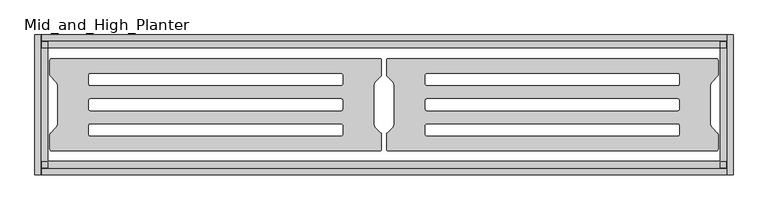
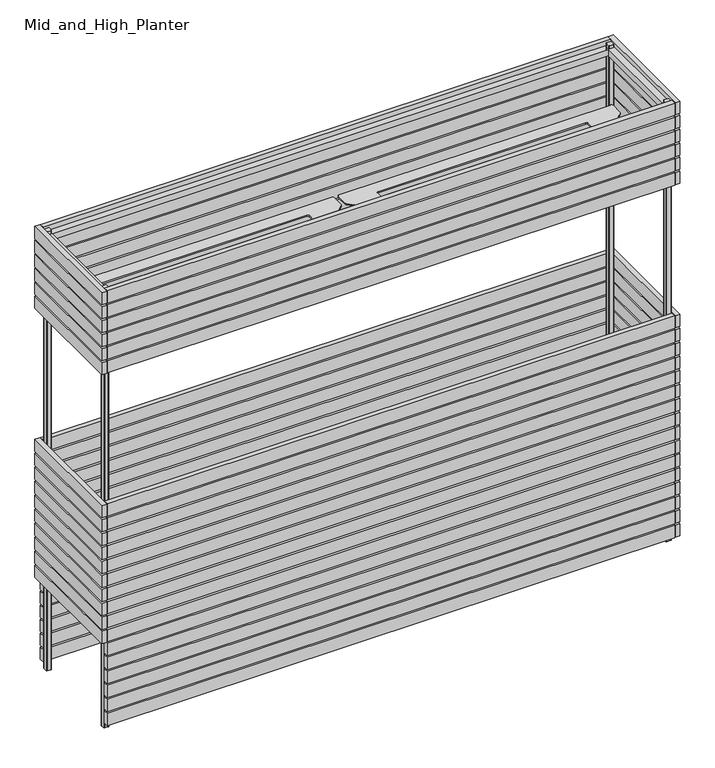
"""IFC4 building model written with IfcOpenShell, lengths in millimetres: furniture geometry, Mid_and_High_Planter."""

from ifc_helpers import new_model, si_unit, point, frame, frame_2d, origin, place, context, project, spatial, polyline, circle_curve, trimmed, segment, composite_curve, outline, extrude, source, transform, mapped, element, save


def mid_and_high_planter_cf874daf(model_context):
    return source(origin(), model_context, "Body", "SweptSolid", [
        extrude(outline(composite_curve([segment(trimmed(circle_curve(frame_2d((-869.032, 160.968)), 2.032), [point((-869.032, 163.0))], [point((-867.0, 160.968))], False, "CARTESIAN"), True, "CONTINUOUS"), segment(polyline([(-867.0, 160.968), (-867.0, 148.9491297)]), True, "CONTINUOUS"), segment(trimmed(circle_curve(frame_2d((-868.9491297, 148.9491297)), 1.9491297), [point((-867.0, 148.9491297))], [point((-868.9491297, 147.0))], False, "CARTESIAN"), True, "CONTINUOUS"), segment(polyline([(-868.9491297, 147.0), (-880.968, 147.0)]), True, "CONTINUOUS"), segment(trimmed(circle_curve(frame_2d((-880.968, 149.032)), 2.032), [point((-880.968, 147.0))], [point((-883.0, 149.032))], False, "CARTESIAN"), True, "CONTINUOUS"), segment(polyline([(-883.0, 149.032), (-883.0, 160.968)]), True, "CONTINUOUS"), segment(trimmed(circle_curve(frame_2d((-880.968, 160.968)), 2.032), [point((-883.0, 160.968))], [point((-880.968, 163.0))], False, "CARTESIAN"), True, "CONTINUOUS"), segment(polyline([(-880.968, 163.0), (-869.032, 163.0)]), True, "CONTINUOUS")], self_intersect=False)), frame((0.0, 0.0, 0.9787593), z_axis=(0.0, 0.0, 1.0), x_axis=(1.0, 0.0, 0.0)), (0.0, 0.0, 1.0), 1444.0212407),
        extrude(outline(composite_curve([segment(polyline([(869.032, 163.0), (880.968, 163.0)]), True, "CONTINUOUS"), segment(trimmed(circle_curve(frame_2d((880.968, 160.968)), 2.032), [point((880.968, 163.0))], [point((883.0, 160.968))], False, "CARTESIAN"), True, "CONTINUOUS"), segment(polyline([(883.0, 160.968), (883.0, 149.032)]), True, "CONTINUOUS"), segment(trimmed(circle_curve(frame_2d((880.968, 149.032)), 2.032), [point((883.0, 149.032))], [point((880.968, 147.0))], False, "CARTESIAN"), True, "CONTINUOUS"), segment(polyline([(880.968, 147.0), (868.9491297, 147.0)]), True, "CONTINUOUS"), segment(trimmed(circle_curve(frame_2d((868.9491297, 148.9491297)), 1.9491297), [point((868.9491297, 147.0))], [point((867.0, 148.9491297))], False, "CARTESIAN"), True, "CONTINUOUS"), segment(polyline([(867.0, 148.9491297), (867.0, 160.968)]), True, "CONTINUOUS"), segment(trimmed(circle_curve(frame_2d((869.032, 160.968)), 2.032), [point((867.0, 160.968))], [point((869.032, 163.0))], False, "CARTESIAN"), True, "CONTINUOUS")], self_intersect=False)), frame((0.0, 0.0, 0.9787593), z_axis=(0.0, 0.0, 1.0), x_axis=(1.0, 0.0, 0.0)), (0.0, 0.0, 1.0), 1444.0212407),
        extrude(outline(composite_curve([segment(polyline([(-869.032, -163.0), (-880.968, -163.0)]), True, "CONTINUOUS"), segment(trimmed(circle_curve(frame_2d((-880.968, -160.968)), 2.032), [point((-880.968, -163.0))], [point((-883.0, -160.968))], False, "CARTESIAN"), True, "CONTINUOUS"), segment(polyline([(-883.0, -160.968), (-883.0, -149.032)]), True, "CONTINUOUS"), segment(trimmed(circle_curve(frame_2d((-880.968, -149.032)), 2.032), [point((-883.0, -149.032))], [point((-880.968, -147.0))], False, "CARTESIAN"), True, "CONTINUOUS"), segment(polyline([(-880.968, -147.0), (-868.9491297, -147.0)]), True, "CONTINUOUS"), segment(trimmed(circle_curve(frame_2d((-868.9491297, -148.9491297)), 1.9491297), [point((-868.9491297, -147.0))], [point((-867.0, -148.9491297))], False, "CARTESIAN"), True, "CONTINUOUS"), segment(polyline([(-867.0, -148.9491297), (-867.0, -160.968)]), True, "CONTINUOUS"), segment(trimmed(circle_curve(frame_2d((-869.032, -160.968)), 2.032), [point((-867.0, -160.968))], [point((-869.032, -163.0))], False, "CARTESIAN"), True, "CONTINUOUS")], self_intersect=False)), frame((0.0, 0.0, 0.9787593), z_axis=(0.0, 0.0, 1.0), x_axis=(1.0, 0.0, 0.0)), (0.0, 0.0, 1.0), 1444.0212407),
        extrude(outline(composite_curve([segment(trimmed(circle_curve(frame_2d((869.032, -160.968)), 2.032), [point((869.032, -163.0))], [point((867.0, -160.968))], False, "CARTESIAN"), True, "CONTINUOUS"), segment(polyline([(867.0, -160.968), (867.0, -148.9491297)]), True, "CONTINUOUS"), segment(trimmed(circle_curve(frame_2d((868.9491297, -148.9491297)), 1.9491297), [point((867.0, -148.9491297))], [point((868.9491297, -147.0))], False, "CARTESIAN"), True, "CONTINUOUS"), segment(polyline([(868.9491297, -147.0), (880.968, -147.0)]), True, "CONTINUOUS"), segment(trimmed(circle_curve(frame_2d((880.968, -149.032)), 2.032), [point((880.968, -147.0))], [point((883.0, -149.032))], False, "CARTESIAN"), True, "CONTINUOUS"), segment(polyline([(883.0, -149.032), (883.0, -160.968)]), True, "CONTINUOUS"), segment(trimmed(circle_curve(frame_2d((880.968, -160.968)), 2.032), [point((883.0, -160.968))], [point((880.968, -163.0))], False, "CARTESIAN"), True, "CONTINUOUS"), segment(polyline([(880.968, -163.0), (869.032, -163.0)]), True, "CONTINUOUS")], self_intersect=False)), frame((0.0, 0.0, 0.9787593), z_axis=(0.0, 0.0, 1.0), x_axis=(1.0, 0.0, 0.0)), (0.0, 0.0, 1.0), 1444.0212407),
        extrude(outline(polyline([(885.0, -165.0), (-885.0, -165.0), (-885.0, 165.0), (885.0, 165.0), (885.0, -165.0)]), holes=[polyline([(865.0, 145.0), (-865.0, 145.0), (-865.0, -145.0), (865.0, -145.0), (865.0, 145.0)])]), frame((0.0, 0.0, 1414.7446206), z_axis=(0.0, 0.0, 1.0), x_axis=(1.0, 0.0, 0.0)), (0.0, 0.0, 1.0), 20.0),
        extrude(outline(composite_curve([segment(trimmed(circle_curve(frame_2d((-11.379763, 114.120237)), 4.879763), [point((-11.379763, 119.0))], [point((-6.5, 114.120237))], False, "CARTESIAN"), True, "CONTINUOUS"), segment(polyline([(-6.5, 114.120237), (-6.5, 77.6302561)]), True, "CONTINUOUS"), segment(trimmed(circle_curve(frame_2d((-12.85, 77.6302561)), 6.35), [point((-6.5, 77.6302561))], [point((-8.3598719, 73.1401281))], False, "CARTESIAN"), True, "CONTINUOUS"), segment(polyline([(-8.3598719, 73.1401281), (-20.9203842, 60.5796158)]), True, "CONTINUOUS"), segment(trimmed(circle_curve(frame_2d((-7.45, 47.1092316)), 19.05), [point((-20.9203842, 60.5796158))], [point((-26.5, 47.1092316))], True, "CARTESIAN"), True, "CONTINUOUS"), segment(polyline([(-26.5, 47.1092316), (-26.5, -47.1092316)]), True, "CONTINUOUS"), segment(trimmed(circle_curve(frame_2d((-7.45, -47.1092316)), 19.05), [point((-26.5, -47.1092316))], [point((-20.9203842, -60.5796158))], True, "CARTESIAN"), True, "CONTINUOUS"), segment(polyline([(-20.9203842, -60.5796158), (-8.3598719, -73.1401281)]), True, "CONTINUOUS"), segment(trimmed(circle_curve(frame_2d((-12.85, -77.6302561)), 6.35), [point((-8.3598719, -73.1401281))], [point((-6.5, -77.6302561))], False, "CARTESIAN"), True, "CONTINUOUS"), segment(polyline([(-6.5, -77.6302561), (-6.5, -114.120237)]), True, "CONTINUOUS"), segment(trimmed(circle_curve(frame_2d((-11.379763, -114.120237)), 4.879763), [point((-6.5, -114.120237))], [point((-11.379763, -119.0))], False, "CARTESIAN"), True, "CONTINUOUS"), segment(polyline([(-11.379763, -119.0), (-856.5, -119.0)]), True, "CONTINUOUS"), segment(trimmed(circle_curve(frame_2d((-856.5, -114.120237)), 4.879763), [point((-856.5, -119.0))], [point((-861.379763, -114.120237))], False, "CARTESIAN"), True, "CONTINUOUS"), segment(polyline([(-861.379763, -114.120237), (-861.379763, -77.6302561)]), True, "CONTINUOUS"), segment(trimmed(circle_curve(frame_2d((-855.029763, -77.6302561)), 6.35), [point((-861.379763, -77.6302561))], [point((-859.5198911, -73.1401281))], False, "CARTESIAN"), True, "CONTINUOUS"), segment(polyline([(-859.5198911, -73.1401281), (-846.9593788, -60.5796158)]), True, "CONTINUOUS"), segment(trimmed(circle_curve(frame_2d((-860.429763, -47.1092316)), 19.05), [point((-846.9593788, -60.5796158))], [point((-841.379763, -47.1092316))], True, "CARTESIAN"), True, "CONTINUOUS"), segment(polyline([(-841.379763, -47.1092316), (-841.379763, 47.1092316)]), True, "CONTINUOUS"), segment(trimmed(circle_curve(frame_2d((-860.429763, 47.1092316)), 19.05), [point((-841.379763, 47.1092316))], [point((-846.9593788, 60.5796158))], True, "CARTESIAN"), True, "CONTINUOUS"), segment(polyline([(-846.9593788, 60.5796158), (-859.5198911, 73.1401281)]), True, "CONTINUOUS"), segment(trimmed(circle_curve(frame_2d((-855.029763, 77.6302561)), 6.35), [point((-859.5198911, 73.1401281))], [point((-861.379763, 77.6302561))], False, "CARTESIAN"), True, "CONTINUOUS"), segment(polyline([(-861.379763, 77.6302561), (-861.379763, 114.120237)]), True, "CONTINUOUS"), segment(trimmed(circle_curve(frame_2d((-856.5, 114.120237)), 4.879763), [point((-861.379763, 114.120237))], [point((-856.5, 119.0))], False, "CARTESIAN"), True, "CONTINUOUS"), segment(polyline([(-856.5, 119.0), (-11.379763, 119.0)]), True, "CONTINUOUS")], self_intersect=False), holes=[composite_curve([segment(polyline([(-110.9316348, 80.0), (-756.9052758, 80.0)]), True, "CONTINUOUS"), segment(trimmed(circle_curve(frame_2d((-756.9052758, 75.7102758)), 4.2897242), [point((-756.9052758, 80.0))], [point((-761.195, 75.7102758))], True, "CARTESIAN"), True, "CONTINUOUS"), segment(polyline([(-761.195, 75.7102758), (-761.195, 54.072748)]), True, "CONTINUOUS"), segment(trimmed(circle_curve(frame_2d((-757.122252, 54.072748)), 4.072748), [point((-761.195, 54.072748))], [point((-757.122252, 50.0))], True, "CARTESIAN"), True, "CONTINUOUS"), segment(polyline([(-757.122252, 50.0), (-110.7992518, 50.0)]), True, "CONTINUOUS"), segment(trimmed(circle_curve(frame_2d((-110.7992518, 53.9942518)), 3.9942518), [point((-110.7992518, 50.0))], [point((-106.805, 53.9942518))], True, "CARTESIAN"), True, "CONTINUOUS"), segment(polyline([(-106.805, 53.9942518), (-106.805, 75.8733652)]), True, "CONTINUOUS"), segment(trimmed(circle_curve(frame_2d((-110.9316348, 75.8733652)), 4.1266348), [point((-106.805, 75.8733652))], [point((-110.9316348, 80.0))], True, "CARTESIAN"), True, "CONTINUOUS")], self_intersect=False), composite_curve([segment(polyline([(-110.9316348, 15.0), (-756.9052758, 15.0)]), True, "CONTINUOUS"), segment(trimmed(circle_curve(frame_2d((-756.9052758, 10.7102758)), 4.2897242), [point((-756.9052758, 15.0))], [point((-761.195, 10.7102758))], True, "CARTESIAN"), True, "CONTINUOUS"), segment(polyline([(-761.195, 10.7102758), (-761.195, -10.927252)]), True, "CONTINUOUS"), segment(trimmed(circle_curve(frame_2d((-757.122252, -10.927252)), 4.072748), [point((-761.195, -10.927252))], [point((-757.122252, -15.0))], True, "CARTESIAN"), True, "CONTINUOUS"), segment(polyline([(-757.122252, -15.0), (-110.7992518, -15.0)]), True, "CONTINUOUS"), segment(trimmed(circle_curve(frame_2d((-110.7992518, -11.0057482)), 3.9942518), [point((-110.7992518, -15.0))], [point((-106.805, -11.0057482))], True, "CARTESIAN"), True, "CONTINUOUS"), segment(polyline([(-106.805, -11.0057482), (-106.805, 10.8733652)]), True, "CONTINUOUS"), segment(trimmed(circle_curve(frame_2d((-110.9316348, 10.8733652)), 4.1266348), [point((-106.805, 10.8733652))], [point((-110.9316348, 15.0))], True, "CARTESIAN"), True, "CONTINUOUS")], self_intersect=False), composite_curve([segment(polyline([(-110.9316348, -50.0), (-756.9052758, -50.0)]), True, "CONTINUOUS"), segment(trimmed(circle_curve(frame_2d((-756.9052758, -54.2897242)), 4.2897242), [point((-756.9052758, -50.0))], [point((-761.195, -54.2897242))], True, "CARTESIAN"), True, "CONTINUOUS"), segment(polyline([(-761.195, -54.2897242), (-761.195, -75.927252)]), True, "CONTINUOUS"), segment(trimmed(circle_curve(frame_2d((-757.122252, -75.927252)), 4.072748), [point((-761.195, -75.927252))], [point((-757.122252, -80.0))], True, "CARTESIAN"), True, "CONTINUOUS"), segment(polyline([(-757.122252, -80.0), (-110.7992518, -80.0)]), True, "CONTINUOUS"), segment(trimmed(circle_curve(frame_2d((-110.7992518, -76.0057482)), 3.9942518), [point((-110.7992518, -80.0))], [point((-106.805, -76.0057482))], True, "CARTESIAN"), True, "CONTINUOUS"), segment(polyline([(-106.805, -76.0057482), (-106.805, -54.1266348)]), True, "CONTINUOUS"), segment(trimmed(circle_curve(frame_2d((-110.9316348, -54.1266348)), 4.1266348), [point((-106.805, -54.1266348))], [point((-110.9316348, -50.0))], True, "CARTESIAN"), True, "CONTINUOUS")], self_intersect=False)]), frame((0.0, 0.0, 1267.5436917), z_axis=(0.0, 0.0, 1.0), x_axis=(1.0, 0.0, 0.0)), (0.0, 0.0, 1.0), 3.9),
        extrude(outline(composite_curve([segment(polyline([(11.379763, 119.0), (856.5, 119.0)]), True, "CONTINUOUS"), segment(trimmed(circle_curve(frame_2d((856.5, 114.120237)), 4.879763), [point((856.5, 119.0))], [point((861.379763, 114.120237))], False, "CARTESIAN"), True, "CONTINUOUS"), segment(polyline([(861.379763, 114.120237), (861.379763, 77.6302561)]), True, "CONTINUOUS"), segment(trimmed(circle_curve(frame_2d((855.029763, 77.6302561)), 6.35), [point((861.379763, 77.6302561))], [point((859.5198911, 73.1401281))], False, "CARTESIAN"), True, "CONTINUOUS"), segment(polyline([(859.5198911, 73.1401281), (846.9593788, 60.5796158)]), True, "CONTINUOUS"), segment(trimmed(circle_curve(frame_2d((860.429763, 47.1092316)), 19.05), [point((846.9593788, 60.5796158))], [point((841.379763, 47.1092316))], True, "CARTESIAN"), True, "CONTINUOUS"), segment(polyline([(841.379763, 47.1092316), (841.379763, -47.1092316)]), True, "CONTINUOUS"), segment(trimmed(circle_curve(frame_2d((860.429763, -47.1092316)), 19.05), [point((841.379763, -47.1092316))], [point((846.9593788, -60.5796158))], True, "CARTESIAN"), True, "CONTINUOUS"), segment(polyline([(846.9593788, -60.5796158), (859.5198911, -73.1401281)]), True, "CONTINUOUS"), segment(trimmed(circle_curve(frame_2d((855.029763, -77.6302561)), 6.35), [point((859.5198911, -73.1401281))], [point((861.379763, -77.6302561))], False, "CARTESIAN"), True, "CONTINUOUS"), segment(polyline([(861.379763, -77.6302561), (861.379763, -114.120237)]), True, "CONTINUOUS"), segment(trimmed(circle_curve(frame_2d((856.5, -114.120237)), 4.879763), [point((861.379763, -114.120237))], [point((856.5, -119.0))], False, "CARTESIAN"), True, "CONTINUOUS"), segment(polyline([(856.5, -119.0), (11.379763, -119.0)]), True, "CONTINUOUS"), segment(trimmed(circle_curve(frame_2d((11.379763, -114.120237)), 4.879763), [point((11.379763, -119.0))], [point((6.5, -114.120237))], False, "CARTESIAN"), True, "CONTINUOUS"), segment(polyline([(6.5, -114.120237), (6.5, -77.6302561)]), True, "CONTINUOUS"), segment(trimmed(circle_curve(frame_2d((12.85, -77.6302561)), 6.35), [point((6.5, -77.6302561))], [point((8.3598719, -73.1401281))], False, "CARTESIAN"), True, "CONTINUOUS"), segment(polyline([(8.3598719, -73.1401281), (20.9203842, -60.5796158)]), True, "CONTINUOUS"), segment(trimmed(circle_curve(frame_2d((7.45, -47.1092316)), 19.05), [point((20.9203842, -60.5796158))], [point((26.5, -47.1092316))], True, "CARTESIAN"), True, "CONTINUOUS"), segment(polyline([(26.5, -47.1092316), (26.5, 47.1092316)]), True, "CONTINUOUS"), segment(trimmed(circle_curve(frame_2d((7.45, 47.1092316)), 19.05), [point((26.5, 47.1092316))], [point((20.9203842, 60.5796158))], True, "CARTESIAN"), True, "CONTINUOUS"), segment(polyline([(20.9203842, 60.5796158), (8.3598719, 73.1401281)]), True, "CONTINUOUS"), segment(trimmed(circle_curve(frame_2d((12.85, 77.6302561)), 6.35), [point((8.3598719, 73.1401281))], [point((6.5, 77.6302561))], False, "CARTESIAN"), True, "CONTINUOUS"), segment(polyline([(6.5, 77.6302561), (6.5, 114.120237)]), True, "CONTINUOUS"), segment(trimmed(circle_curve(frame_2d((11.379763, 114.120237)), 4.879763), [point((6.5, 114.120237))], [point((11.379763, 119.0))], False, "CARTESIAN"), True, "CONTINUOUS")], self_intersect=False), holes=[composite_curve([segment(trimmed(circle_curve(frame_2d((110.9316348, 75.8733652)), 4.1266348), [point((110.9316348, 80.0))], [point((106.805, 75.8733652))], True, "CARTESIAN"), True, "CONTINUOUS"), segment(polyline([(106.805, 75.8733652), (106.805, 53.9942518)]), True, "CONTINUOUS"), segment(trimmed(circle_curve(frame_2d((110.7992518, 53.9942518)), 3.9942518), [point((106.805, 53.9942518))], [point((110.7992518, 50.0))], True, "CARTESIAN"), True, "CONTINUOUS"), segment(polyline([(110.7992518, 50.0), (757.122252, 50.0)]), True, "CONTINUOUS"), segment(trimmed(circle_curve(frame_2d((757.122252, 54.072748)), 4.072748), [point((757.122252, 50.0))], [point((761.195, 54.072748))], True, "CARTESIAN"), True, "CONTINUOUS"), segment(polyline([(761.195, 54.072748), (761.195, 75.7102758)]), True, "CONTINUOUS"), segment(trimmed(circle_curve(frame_2d((756.9052758, 75.7102758)), 4.2897242), [point((761.195, 75.7102758))], [point((756.9052758, 80.0))], True, "CARTESIAN"), True, "CONTINUOUS"), segment(polyline([(756.9052758, 80.0), (110.9316348, 80.0)]), True, "CONTINUOUS")], self_intersect=False), composite_curve([segment(trimmed(circle_curve(frame_2d((110.9316348, 10.8733652)), 4.1266348), [point((110.9316348, 15.0))], [point((106.805, 10.8733652))], True, "CARTESIAN"), True, "CONTINUOUS"), segment(polyline([(106.805, 10.8733652), (106.805, -11.0057482)]), True, "CONTINUOUS"), segment(trimmed(circle_curve(frame_2d((110.7992518, -11.0057482)), 3.9942518), [point((106.805, -11.0057482))], [point((110.7992518, -15.0))], True, "CARTESIAN"), True, "CONTINUOUS"), segment(polyline([(110.7992518, -15.0), (757.122252, -15.0)]), True, "CONTINUOUS"), segment(trimmed(circle_curve(frame_2d((757.122252, -10.927252)), 4.072748), [point((757.122252, -15.0))], [point((761.195, -10.927252))], True, "CARTESIAN"), True, "CONTINUOUS"), segment(polyline([(761.195, -10.927252), (761.195, 10.7102758)]), True, "CONTINUOUS"), segment(trimmed(circle_curve(frame_2d((756.9052758, 10.7102758)), 4.2897242), [point((761.195, 10.7102758))], [point((756.9052758, 15.0))], True, "CARTESIAN"), True, "CONTINUOUS"), segment(polyline([(756.9052758, 15.0), (110.9316348, 15.0)]), True, "CONTINUOUS")], self_intersect=False), composite_curve([segment(trimmed(circle_curve(frame_2d((110.9316348, -54.1266348)), 4.1266348), [point((110.9316348, -50.0))], [point((106.805, -54.1266348))], True, "CARTESIAN"), True, "CONTINUOUS"), segment(polyline([(106.805, -54.1266348), (106.805, -76.0057482)]), True, "CONTINUOUS"), segment(trimmed(circle_curve(frame_2d((110.7992518, -76.0057482)), 3.9942518), [point((106.805, -76.0057482))], [point((110.7992518, -80.0))], True, "CARTESIAN"), True, "CONTINUOUS"), segment(polyline([(110.7992518, -80.0), (757.122252, -80.0)]), True, "CONTINUOUS"), segment(trimmed(circle_curve(frame_2d((757.122252, -75.927252)), 4.072748), [point((757.122252, -80.0))], [point((761.195, -75.927252))], True, "CARTESIAN"), True, "CONTINUOUS"), segment(polyline([(761.195, -75.927252), (761.195, -54.2897242)]), True, "CONTINUOUS"), segment(trimmed(circle_curve(frame_2d((756.9052758, -54.2897242)), 4.2897242), [point((761.195, -54.2897242))], [point((756.9052758, -50.0))], True, "CARTESIAN"), True, "CONTINUOUS"), segment(polyline([(756.9052758, -50.0), (110.9316348, -50.0)]), True, "CONTINUOUS")], self_intersect=False)]), frame((0.0, 0.0, 1267.5436917), z_axis=(0.0, 0.0, 1.0), x_axis=(1.0, 0.0, 0.0)), (0.0, 0.0, 1.0), 3.9),
        extrude(outline(polyline([(900.0, 180.0), (900.0, -180.0), (885.0, -180.0), (885.0, 180.0), (900.0, 180.0)])), frame((0.0, 0.0, 1225.9987302), z_axis=(0.0, 0.0, 1.0), x_axis=(1.0, 0.0, 0.0)), (0.0, 0.0, 1.0), 40.0),
        extrude(outline(polyline([(900.0, 180.0), (900.0, -180.0), (885.0, -180.0), (885.0, 180.0), (900.0, 180.0)])), frame((0.0, 0.0, 1179.9987302), z_axis=(0.0, 0.0, 1.0), x_axis=(1.0, 0.0, 0.0)), (0.0, 0.0, 1.0), 40.0),
        extrude(outline(polyline([(900.0, 180.0), (900.0, -180.0), (885.0, -180.0), (885.0, 180.0), (900.0, 180.0)])), frame((0.0, 0.0, 1409.9987302), z_axis=(0.0, 0.0, 1.0), x_axis=(1.0, 0.0, 0.0)), (0.0, 0.0, 1.0), 40.0),
        extrude(outline(polyline([(900.0, 180.0), (900.0, -180.0), (885.0, -180.0), (885.0, 180.0), (900.0, 180.0)])), frame((0.0, 0.0, 1363.9987302), z_axis=(0.0, 0.0, 1.0), x_axis=(1.0, 0.0, 0.0)), (0.0, 0.0, 1.0), 40.0),
        extrude(outline(polyline([(900.0, 180.0), (900.0, -180.0), (885.0, -180.0), (885.0, 180.0), (900.0, 180.0)])), frame((0.0, 0.0, 1317.9987302), z_axis=(0.0, 0.0, 1.0), x_axis=(1.0, 0.0, 0.0)), (0.0, 0.0, 1.0), 40.0),
        extrude(outline(polyline([(900.0, 180.0), (900.0, -180.0), (885.0, -180.0), (885.0, 180.0), (900.0, 180.0)])), frame((0.0, 0.0, 1271.9987302), z_axis=(0.0, 0.0, 1.0), x_axis=(1.0, 0.0, 0.0)), (0.0, 0.0, 1.0), 40.0),
        extrude(outline(polyline([(883.0217038, 180.0), (883.0217038, 165.0), (-882.9968376, 165.0), (-882.9968376, 180.0), (883.0217038, 180.0)])), frame((0.0, 0.0, 1409.9987302), z_axis=(0.0, 0.0, 1.0), x_axis=(1.0, 0.0, 0.0)), (0.0, 0.0, 1.0), 40.0),
        extrude(outline(polyline([(883.0217038, 180.0), (883.0217038, 165.0), (-882.9968376, 165.0), (-882.9968376, 180.0), (883.0217038, 180.0)])), frame((0.0, 0.0, 1363.9987302), z_axis=(0.0, 0.0, 1.0), x_axis=(1.0, 0.0, 0.0)), (0.0, 0.0, 1.0), 40.0),
        extrude(outline(polyline([(883.0217038, 180.0), (883.0217038, 165.0), (-882.9968376, 165.0), (-882.9968376, 180.0), (883.0217038, 180.0)])), frame((0.0, 0.0, 1317.9987302), z_axis=(0.0, 0.0, 1.0), x_axis=(1.0, 0.0, 0.0)), (0.0, 0.0, 1.0), 40.0),
        extrude(outline(polyline([(883.0217038, 180.0), (883.0217038, 165.0), (-882.9968376, 165.0), (-882.9968376, 180.0), (883.0217038, 180.0)])), frame((0.0, 0.0, 1271.9987302), z_axis=(0.0, 0.0, 1.0), x_axis=(1.0, 0.0, 0.0)), (0.0, 0.0, 1.0), 40.0),
        extrude(outline(polyline([(883.0217038, 180.0), (883.0217038, 165.0), (-882.9968376, 165.0), (-882.9968376, 180.0), (883.0217038, 180.0)])), frame((0.0, 0.0, 1225.9987302), z_axis=(0.0, 0.0, 1.0), x_axis=(1.0, 0.0, 0.0)), (0.0, 0.0, 1.0), 40.0),
        extrude(outline(polyline([(883.0217038, 180.0), (883.0217038, 165.0), (-882.9968376, 165.0), (-882.9968376, 180.0), (883.0217038, 180.0)])), frame((0.0, 0.0, 1179.9987302), z_axis=(0.0, 0.0, 1.0), x_axis=(1.0, 0.0, 0.0)), (0.0, 0.0, 1.0), 40.0),
        extrude(outline(polyline([(883.0217038, -165.0), (883.0217038, -180.0), (-882.9968376, -180.0), (-882.9968376, -165.0), (883.0217038, -165.0)])), frame((0.0, 0.0, 1409.9987302), z_axis=(0.0, 0.0, 1.0), x_axis=(1.0, 0.0, 0.0)), (0.0, 0.0, 1.0), 40.0),
        extrude(outline(polyline([(883.0217038, -165.0), (883.0217038, -180.0), (-882.9968376, -180.0), (-882.9968376, -165.0), (883.0217038, -165.0)])), frame((0.0, 0.0, 1363.9987302), z_axis=(0.0, 0.0, 1.0), x_axis=(1.0, 0.0, 0.0)), (0.0, 0.0, 1.0), 40.0),
        extrude(outline(polyline([(883.0217038, -165.0), (883.0217038, -180.0), (-882.9968376, -180.0), (-882.9968376, -165.0), (883.0217038, -165.0)])), frame((0.0, 0.0, 1317.9987302), z_axis=(0.0, 0.0, 1.0), x_axis=(1.0, 0.0, 0.0)), (0.0, 0.0, 1.0), 40.0),
        extrude(outline(polyline([(883.0217038, -165.0), (883.0217038, -180.0), (-882.9968376, -180.0), (-882.9968376, -165.0), (883.0217038, -165.0)])), frame((0.0, 0.0, 1271.9987302), z_axis=(0.0, 0.0, 1.0), x_axis=(1.0, 0.0, 0.0)), (0.0, 0.0, 1.0), 40.0),
        extrude(outline(polyline([(883.0217038, -165.0), (883.0217038, -180.0), (-882.9968376, -180.0), (-882.9968376, -165.0), (883.0217038, -165.0)])), frame((0.0, 0.0, 1225.9987302), z_axis=(0.0, 0.0, 1.0), x_axis=(1.0, 0.0, 0.0)), (0.0, 0.0, 1.0), 40.0),
        extrude(outline(polyline([(883.0217038, -165.0), (883.0217038, -180.0), (-882.9968376, -180.0), (-882.9968376, -165.0), (883.0217038, -165.0)])), frame((0.0, 0.0, 1179.9987302), z_axis=(0.0, 0.0, 1.0), x_axis=(1.0, 0.0, 0.0)), (0.0, 0.0, 1.0), 40.0),
        extrude(outline(polyline([(-900.0, -180.0), (-900.0, 180.0), (-885.0, 180.0), (-885.0, -180.0), (-900.0, -180.0)])), frame((0.0, 0.0, 1225.9987302), z_axis=(0.0, 0.0, 1.0), x_axis=(1.0, 0.0, 0.0)), (0.0, 0.0, 1.0), 40.0),
        extrude(outline(polyline([(-900.0, -180.0), (-900.0, 180.0), (-885.0, 180.0), (-885.0, -180.0), (-900.0, -180.0)])), frame((0.0, 0.0, 1179.9987302), z_axis=(0.0, 0.0, 1.0), x_axis=(1.0, 0.0, 0.0)), (0.0, 0.0, 1.0), 40.0),
        extrude(outline(polyline([(-900.0, -180.0), (-900.0, 180.0), (-885.0, 180.0), (-885.0, -180.0), (-900.0, -180.0)])), frame((0.0, 0.0, 1409.9987302), z_axis=(0.0, 0.0, 1.0), x_axis=(1.0, 0.0, 0.0)), (0.0, 0.0, 1.0), 40.0),
        extrude(outline(polyline([(-900.0, -180.0), (-900.0, 180.0), (-885.0, 180.0), (-885.0, -180.0), (-900.0, -180.0)])), frame((0.0, 0.0, 1363.9987302), z_axis=(0.0, 0.0, 1.0), x_axis=(1.0, 0.0, 0.0)), (0.0, 0.0, 1.0), 40.0),
        extrude(outline(polyline([(-900.0, -180.0), (-900.0, 180.0), (-885.0, 180.0), (-885.0, -180.0), (-900.0, -180.0)])), frame((0.0, 0.0, 1317.9987302), z_axis=(0.0, 0.0, 1.0), x_axis=(1.0, 0.0, 0.0)), (0.0, 0.0, 1.0), 40.0),
        extrude(outline(polyline([(-900.0, -180.0), (-900.0, 180.0), (-885.0, 180.0), (-885.0, -180.0), (-900.0, -180.0)])), frame((0.0, 0.0, 1271.9987302), z_axis=(0.0, 0.0, 1.0), x_axis=(1.0, 0.0, 0.0)), (0.0, 0.0, 1.0), 40.0),
        extrude(outline(polyline([(883.0718339, 180.0), (883.0718339, 165.0), (-883.0403066, 165.0), (-883.0403066, 180.0), (883.0718339, 180.0)])), frame((0.0, 0.0, 249.9987302), z_axis=(0.0, 0.0, 1.0), x_axis=(1.0, 0.0, 0.0)), (0.0, 0.0, 1.0), 40.0),
        extrude(outline(polyline([(883.0718339, 180.0), (883.0718339, 165.0), (-883.0403066, 165.0), (-883.0403066, 180.0), (883.0718339, 180.0)])), frame((0.0, 0.0, 203.9987302), z_axis=(0.0, 0.0, 1.0), x_axis=(1.0, 0.0, 0.0)), (0.0, 0.0, 1.0), 40.0),
        extrude(outline(polyline([(883.0718339, 180.0), (883.0718339, 165.0), (-883.0403066, 165.0), (-883.0403066, 180.0), (883.0718339, 180.0)])), frame((0.0, 0.0, 157.9987302), z_axis=(0.0, 0.0, 1.0), x_axis=(1.0, 0.0, 0.0)), (0.0, 0.0, 1.0), 40.0),
        extrude(outline(polyline([(883.0718339, 180.0), (883.0718339, 165.0), (-883.0403066, 165.0), (-883.0403066, 180.0), (883.0718339, 180.0)])), frame((0.0, 0.0, 111.9987302), z_axis=(0.0, 0.0, 1.0), x_axis=(1.0, 0.0, 0.0)), (0.0, 0.0, 1.0), 40.0),
        extrude(outline(polyline([(883.0718339, 180.0), (883.0718339, 165.0), (-883.0403066, 165.0), (-883.0403066, 180.0), (883.0718339, 180.0)])), frame((0.0, 0.0, 65.9987302), z_axis=(0.0, 0.0, 1.0), x_axis=(1.0, 0.0, 0.0)), (0.0, 0.0, 1.0), 40.0),
        extrude(outline(polyline([(883.0718339, 180.0), (883.0718339, 165.0), (-883.0403066, 165.0), (-883.0403066, 180.0), (883.0718339, 180.0)])), frame((0.0, 0.0, 19.9987302), z_axis=(0.0, 0.0, 1.0), x_axis=(1.0, 0.0, 0.0)), (0.0, 0.0, 1.0), 40.0),
        extrude(outline(polyline([(883.0718339, -165.0), (883.0718339, -180.0), (-883.0403066, -180.0), (-883.0403066, -165.0), (883.0718339, -165.0)])), frame((0.0, 0.0, 249.9987302), z_axis=(0.0, 0.0, 1.0), x_axis=(1.0, 0.0, 0.0)), (0.0, 0.0, 1.0), 40.0),
        extrude(outline(polyline([(883.0718339, -165.0), (883.0718339, -180.0), (-883.0403066, -180.0), (-883.0403066, -165.0), (883.0718339, -165.0)])), frame((0.0, 0.0, 203.9987302), z_axis=(0.0, 0.0, 1.0), x_axis=(1.0, 0.0, 0.0)), (0.0, 0.0, 1.0), 40.0),
        extrude(outline(polyline([(883.0718339, -165.0), (883.0718339, -180.0), (-883.0403066, -180.0), (-883.0403066, -165.0), (883.0718339, -165.0)])), frame((0.0, 0.0, 157.9987302), z_axis=(0.0, 0.0, 1.0), x_axis=(1.0, 0.0, 0.0)), (0.0, 0.0, 1.0), 40.0),
        extrude(outline(polyline([(883.0718339, -165.0), (883.0718339, -180.0), (-883.0403066, -180.0), (-883.0403066, -165.0), (883.0718339, -165.0)])), frame((0.0, 0.0, 111.9987302), z_axis=(0.0, 0.0, 1.0), x_axis=(1.0, 0.0, 0.0)), (0.0, 0.0, 1.0), 40.0),
        extrude(outline(polyline([(883.0718339, -165.0), (883.0718339, -180.0), (-883.0403066, -180.0), (-883.0403066, -165.0), (883.0718339, -165.0)])), frame((0.0, 0.0, 65.9987302), z_axis=(0.0, 0.0, 1.0), x_axis=(1.0, 0.0, 0.0)), (0.0, 0.0, 1.0), 40.0),
        extrude(outline(polyline([(883.0718339, -165.0), (883.0718339, -180.0), (-883.0403066, -180.0), (-883.0403066, -165.0), (883.0718339, -165.0)])), frame((0.0, 0.0, 19.9987302), z_axis=(0.0, 0.0, 1.0), x_axis=(1.0, 0.0, 0.0)), (0.0, 0.0, 1.0), 40.0),
        extrude(outline(polyline([(882.9858681, 180.0), (882.9858681, 165.0), (-882.9991722, 165.0), (-882.9991722, 180.0), (882.9858681, 180.0)])), frame((0.0, 0.0, 709.3900661), z_axis=(0.0, 0.0, 1.0), x_axis=(1.0, 0.0, 0.0)), (0.0, 0.0, 1.0), 40.0),
        extrude(outline(polyline([(882.9858681, 180.0), (882.9858681, 165.0), (-882.9991722, 165.0), (-882.9991722, 180.0), (882.9858681, 180.0)])), frame((0.0, 0.0, 663.3900661), z_axis=(0.0, 0.0, 1.0), x_axis=(1.0, 0.0, 0.0)), (0.0, 0.0, 1.0), 40.0),
        extrude(outline(polyline([(882.9858681, 180.0), (882.9858681, 165.0), (-882.9991722, 165.0), (-882.9991722, 180.0), (882.9858681, 180.0)])), frame((0.0, 0.0, 617.3900661), z_axis=(0.0, 0.0, 1.0), x_axis=(1.0, 0.0, 0.0)), (0.0, 0.0, 1.0), 40.0),
        extrude(outline(polyline([(882.9858681, 180.0), (882.9858681, 165.0), (-882.9991722, 165.0), (-882.9991722, 180.0), (882.9858681, 180.0)])), frame((0.0, 0.0, 571.3900661), z_axis=(0.0, 0.0, 1.0), x_axis=(1.0, 0.0, 0.0)), (0.0, 0.0, 1.0), 40.0),
        extrude(outline(polyline([(882.9858681, 180.0), (882.9858681, 165.0), (-882.9991722, 165.0), (-882.9991722, 180.0), (882.9858681, 180.0)])), frame((0.0, 0.0, 525.3900661), z_axis=(0.0, 0.0, 1.0), x_axis=(1.0, 0.0, 0.0)), (0.0, 0.0, 1.0), 40.0),
        extrude(outline(polyline([(882.9858681, 180.0), (882.9858681, 165.0), (-882.9991722, 165.0), (-882.9991722, 180.0), (882.9858681, 180.0)])), frame((0.0, 0.0, 479.3900661), z_axis=(0.0, 0.0, 1.0), x_axis=(1.0, 0.0, 0.0)), (0.0, 0.0, 1.0), 40.0),
        extrude(outline(polyline([(882.9858681, 180.0), (882.9858681, 165.0), (-882.9991722, 165.0), (-882.9991722, 180.0), (882.9858681, 180.0)])), frame((0.0, 0.0, 433.3900661), z_axis=(0.0, 0.0, 1.0), x_axis=(1.0, 0.0, 0.0)), (0.0, 0.0, 1.0), 40.0),
        extrude(outline(polyline([(882.9858681, 180.0), (882.9858681, 165.0), (-882.9991722, 165.0), (-882.9991722, 180.0), (882.9858681, 180.0)])), frame((0.0, 0.0, 387.3900661), z_axis=(0.0, 0.0, 1.0), x_axis=(1.0, 0.0, 0.0)), (0.0, 0.0, 1.0), 40.0),
        extrude(outline(polyline([(882.9858681, 180.0), (882.9858681, 165.0), (-882.9991722, 165.0), (-882.9991722, 180.0), (882.9858681, 180.0)])), frame((0.0, 0.0, 341.3900661), z_axis=(0.0, 0.0, 1.0), x_axis=(1.0, 0.0, 0.0)), (0.0, 0.0, 1.0), 40.0),
        extrude(outline(polyline([(882.9858681, 180.0), (882.9858681, 165.0), (-882.9991722, 165.0), (-882.9991722, 180.0), (882.9858681, 180.0)])), frame((0.0, 0.0, 295.3900661), z_axis=(0.0, 0.0, 1.0), x_axis=(1.0, 0.0, 0.0)), (0.0, 0.0, 1.0), 40.0),
        extrude(outline(polyline([(882.9858681, -165.0), (882.9858681, -180.0), (-882.9991722, -180.0), (-882.9991722, -165.0), (882.9858681, -165.0)])), frame((0.0, 0.0, 709.3900661), z_axis=(0.0, 0.0, 1.0), x_axis=(1.0, 0.0, 0.0)), (0.0, 0.0, 1.0), 40.0),
        extrude(outline(polyline([(882.9858681, -165.0), (882.9858681, -180.0), (-882.9991722, -180.0), (-882.9991722, -165.0), (882.9858681, -165.0)])), frame((0.0, 0.0, 663.3900661), z_axis=(0.0, 0.0, 1.0), x_axis=(1.0, 0.0, 0.0)), (0.0, 0.0, 1.0), 40.0),
        extrude(outline(polyline([(882.9858681, -165.0), (882.9858681, -180.0), (-882.9991722, -180.0), (-882.9991722, -165.0), (882.9858681, -165.0)])), frame((0.0, 0.0, 617.3900661), z_axis=(0.0, 0.0, 1.0), x_axis=(1.0, 0.0, 0.0)), (0.0, 0.0, 1.0), 40.0),
        extrude(outline(polyline([(882.9858681, -165.0), (882.9858681, -180.0), (-882.9991722, -180.0), (-882.9991722, -165.0), (882.9858681, -165.0)])), frame((0.0, 0.0, 571.3900661), z_axis=(0.0, 0.0, 1.0), x_axis=(1.0, 0.0, 0.0)), (0.0, 0.0, 1.0), 40.0),
        extrude(outline(polyline([(882.9858681, -165.0), (882.9858681, -180.0), (-882.9991722, -180.0), (-882.9991722, -165.0), (882.9858681, -165.0)])), frame((0.0, 0.0, 525.3900661), z_axis=(0.0, 0.0, 1.0), x_axis=(1.0, 0.0, 0.0)), (0.0, 0.0, 1.0), 40.0),
        extrude(outline(polyline([(882.9858681, -165.0), (882.9858681, -180.0), (-882.9991722, -180.0), (-882.9991722, -165.0), (882.9858681, -165.0)])), frame((0.0, 0.0, 479.3900661), z_axis=(0.0, 0.0, 1.0), x_axis=(1.0, 0.0, 0.0)), (0.0, 0.0, 1.0), 40.0),
        extrude(outline(polyline([(882.9858681, -165.0), (882.9858681, -180.0), (-882.9991722, -180.0), (-882.9991722, -165.0), (882.9858681, -165.0)])), frame((0.0, 0.0, 433.3900661), z_axis=(0.0, 0.0, 1.0), x_axis=(1.0, 0.0, 0.0)), (0.0, 0.0, 1.0), 40.0),
        extrude(outline(polyline([(882.9858681, -165.0), (882.9858681, -180.0), (-882.9991722, -180.0), (-882.9991722, -165.0), (882.9858681, -165.0)])), frame((0.0, 0.0, 387.3900661), z_axis=(0.0, 0.0, 1.0), x_axis=(1.0, 0.0, 0.0)), (0.0, 0.0, 1.0), 40.0),
        extrude(outline(polyline([(882.9858681, -165.0), (882.9858681, -180.0), (-882.9991722, -180.0), (-882.9991722, -165.0), (882.9858681, -165.0)])), frame((0.0, 0.0, 341.3900661), z_axis=(0.0, 0.0, 1.0), x_axis=(1.0, 0.0, 0.0)), (0.0, 0.0, 1.0), 40.0),
        extrude(outline(polyline([(882.9858681, -165.0), (882.9858681, -180.0), (-882.9991722, -180.0), (-882.9991722, -165.0), (882.9858681, -165.0)])), frame((0.0, 0.0, 295.3900661), z_axis=(0.0, 0.0, 1.0), x_axis=(1.0, 0.0, 0.0)), (0.0, 0.0, 1.0), 40.0),
        extrude(outline(polyline([(885.0, -180.0), (885.0, 180.0), (900.0, 180.0), (900.0, -180.0), (885.0, -180.0)])), frame((0.0, 0.0, 249.9987302), z_axis=(0.0, 0.0, 1.0), x_axis=(1.0, 0.0, 0.0)), (0.0, 0.0, 1.0), 40.0),
        extrude(outline(polyline([(885.0, -180.0), (885.0, 180.0), (900.0, 180.0), (900.0, -180.0), (885.0, -180.0)])), frame((0.0, 0.0, 203.9987302), z_axis=(0.0, 0.0, 1.0), x_axis=(1.0, 0.0, 0.0)), (0.0, 0.0, 1.0), 40.0),
        extrude(outline(polyline([(885.0, -180.0), (885.0, 180.0), (900.0, 180.0), (900.0, -180.0), (885.0, -180.0)])), frame((0.0, 0.0, 157.9987302), z_axis=(0.0, 0.0, 1.0), x_axis=(1.0, 0.0, 0.0)), (0.0, 0.0, 1.0), 40.0),
        extrude(outline(polyline([(885.0, -180.0), (885.0, 180.0), (900.0, 180.0), (900.0, -180.0), (885.0, -180.0)])), frame((0.0, 0.0, 111.9987302), z_axis=(0.0, 0.0, 1.0), x_axis=(1.0, 0.0, 0.0)), (0.0, 0.0, 1.0), 40.0),
        extrude(outline(polyline([(885.0, -180.0), (885.0, 180.0), (900.0, 180.0), (900.0, -180.0), (885.0, -180.0)])), frame((0.0, 0.0, 65.9987302), z_axis=(0.0, 0.0, 1.0), x_axis=(1.0, 0.0, 0.0)), (0.0, 0.0, 1.0), 40.0),
        extrude(outline(polyline([(885.0, -180.0), (885.0, 180.0), (900.0, 180.0), (900.0, -180.0), (885.0, -180.0)])), frame((0.0, 0.0, 19.9987302), z_axis=(0.0, 0.0, 1.0), x_axis=(1.0, 0.0, 0.0)), (0.0, 0.0, 1.0), 40.0),
        extrude(outline(polyline([(-900.0, -180.0), (-900.0, 180.0), (-885.0, 180.0), (-885.0, -180.0), (-900.0, -180.0)])), frame((0.0, 0.0, 525.3900661), z_axis=(0.0, 0.0, 1.0), x_axis=(1.0, 0.0, 0.0)), (0.0, 0.0, 1.0), 40.0),
        extrude(outline(polyline([(-900.0, -180.0), (-900.0, 180.0), (-885.0, 180.0), (-885.0, -180.0), (-900.0, -180.0)])), frame((0.0, 0.0, 479.3900661), z_axis=(0.0, 0.0, 1.0), x_axis=(1.0, 0.0, 0.0)), (0.0, 0.0, 1.0), 40.0),
        extrude(outline(polyline([(-900.0, -180.0), (-900.0, 180.0), (-885.0, 180.0), (-885.0, -180.0), (-900.0, -180.0)])), frame((0.0, 0.0, 433.3900661), z_axis=(0.0, 0.0, 1.0), x_axis=(1.0, 0.0, 0.0)), (0.0, 0.0, 1.0), 40.0),
        extrude(outline(polyline([(-900.0, -180.0), (-900.0, 180.0), (-885.0, 180.0), (-885.0, -180.0), (-900.0, -180.0)])), frame((0.0, 0.0, 387.3900661), z_axis=(0.0, 0.0, 1.0), x_axis=(1.0, 0.0, 0.0)), (0.0, 0.0, 1.0), 40.0),
        extrude(outline(polyline([(-900.0, -180.0), (-900.0, 180.0), (-885.0, 180.0), (-885.0, -180.0), (-900.0, -180.0)])), frame((0.0, 0.0, 341.3900661), z_axis=(0.0, 0.0, 1.0), x_axis=(1.0, 0.0, 0.0)), (0.0, 0.0, 1.0), 40.0),
        extrude(outline(polyline([(-900.0, -180.0), (-900.0, 180.0), (-885.0, 180.0), (-885.0, -180.0), (-900.0, -180.0)])), frame((0.0, 0.0, 295.3900661), z_axis=(0.0, 0.0, 1.0), x_axis=(1.0, 0.0, 0.0)), (0.0, 0.0, 1.0), 40.0),
        extrude(outline(polyline([(-900.0, -180.0), (-900.0, 180.0), (-885.0, 180.0), (-885.0, -180.0), (-900.0, -180.0)])), frame((0.0, 0.0, 709.3900661), z_axis=(0.0, 0.0, 1.0), x_axis=(1.0, 0.0, 0.0)), (0.0, 0.0, 1.0), 40.0),
        extrude(outline(polyline([(-900.0, -180.0), (-900.0, 180.0), (-885.0, 180.0), (-885.0, -180.0), (-900.0, -180.0)])), frame((0.0, 0.0, 663.3900661), z_axis=(0.0, 0.0, 1.0), x_axis=(1.0, 0.0, 0.0)), (0.0, 0.0, 1.0), 40.0),
        extrude(outline(polyline([(-900.0, -180.0), (-900.0, 180.0), (-885.0, 180.0), (-885.0, -180.0), (-900.0, -180.0)])), frame((0.0, 0.0, 617.3900661), z_axis=(0.0, 0.0, 1.0), x_axis=(1.0, 0.0, 0.0)), (0.0, 0.0, 1.0), 40.0),
        extrude(outline(polyline([(-900.0, -180.0), (-900.0, 180.0), (-885.0, 180.0), (-885.0, -180.0), (-900.0, -180.0)])), frame((0.0, 0.0, 571.3900661), z_axis=(0.0, 0.0, 1.0), x_axis=(1.0, 0.0, 0.0)), (0.0, 0.0, 1.0), 40.0),
        extrude(outline(polyline([(900.0, 180.0), (900.0, -180.0), (885.0, -180.0), (885.0, 180.0), (900.0, 180.0)])), frame((0.0, 0.0, 525.3900661), z_axis=(0.0, 0.0, 1.0), x_axis=(1.0, 0.0, 0.0)), (0.0, 0.0, 1.0), 40.0),
        extrude(outline(polyline([(900.0, 180.0), (900.0, -180.0), (885.0, -180.0), (885.0, 180.0), (900.0, 180.0)])), frame((0.0, 0.0, 479.3900661), z_axis=(0.0, 0.0, 1.0), x_axis=(1.0, 0.0, 0.0)), (0.0, 0.0, 1.0), 40.0),
        extrude(outline(polyline([(900.0, 180.0), (900.0, -180.0), (885.0, -180.0), (885.0, 180.0), (900.0, 180.0)])), frame((0.0, 0.0, 433.3900661), z_axis=(0.0, 0.0, 1.0), x_axis=(1.0, 0.0, 0.0)), (0.0, 0.0, 1.0), 40.0),
        extrude(outline(polyline([(900.0, 180.0), (900.0, -180.0), (885.0, -180.0), (885.0, 180.0), (900.0, 180.0)])), frame((0.0, 0.0, 387.3900661), z_axis=(0.0, 0.0, 1.0), x_axis=(1.0, 0.0, 0.0)), (0.0, 0.0, 1.0), 40.0),
        extrude(outline(polyline([(900.0, 180.0), (900.0, -180.0), (885.0, -180.0), (885.0, 180.0), (900.0, 180.0)])), frame((0.0, 0.0, 341.3900661), z_axis=(0.0, 0.0, 1.0), x_axis=(1.0, 0.0, 0.0)), (0.0, 0.0, 1.0), 40.0),
        extrude(outline(polyline([(900.0, 180.0), (900.0, -180.0), (885.0, -180.0), (885.0, 180.0), (900.0, 180.0)])), frame((0.0, 0.0, 295.3900661), z_axis=(0.0, 0.0, 1.0), x_axis=(1.0, 0.0, 0.0)), (0.0, 0.0, 1.0), 40.0),
        extrude(outline(polyline([(900.0, 180.0), (900.0, -180.0), (885.0, -180.0), (885.0, 180.0), (900.0, 180.0)])), frame((0.0, 0.0, 709.3900661), z_axis=(0.0, 0.0, 1.0), x_axis=(1.0, 0.0, 0.0)), (0.0, 0.0, 1.0), 40.0),
        extrude(outline(polyline([(900.0, 180.0), (900.0, -180.0), (885.0, -180.0), (885.0, 180.0), (900.0, 180.0)])), frame((0.0, 0.0, 663.3900661), z_axis=(0.0, 0.0, 1.0), x_axis=(1.0, 0.0, 0.0)), (0.0, 0.0, 1.0), 40.0),
        extrude(outline(polyline([(900.0, 180.0), (900.0, -180.0), (885.0, -180.0), (885.0, 180.0), (900.0, 180.0)])), frame((0.0, 0.0, 617.3900661), z_axis=(0.0, 0.0, 1.0), x_axis=(1.0, 0.0, 0.0)), (0.0, 0.0, 1.0), 40.0),
        extrude(outline(polyline([(900.0, 180.0), (900.0, -180.0), (885.0, -180.0), (885.0, 180.0), (900.0, 180.0)])), frame((0.0, 0.0, 571.3900661), z_axis=(0.0, 0.0, 1.0), x_axis=(1.0, 0.0, 0.0)), (0.0, 0.0, 1.0), 40.0),
    ])


if __name__ == "__main__":
    model = new_model("IFC4")
    model_context = context("Model", 3, world=origin())
    ifc_project = project(units=[si_unit("LENGTHUNIT", "METRE", prefix="MILLI")], contexts=[model_context])
    site = spatial("IfcSite", under=ifc_project)
    building = spatial("IfcBuilding", under=site)
    placement = place(None, origin())
    mid_and_high_planter_shape = mid_and_high_planter_cf874daf(model_context)
    element("IfcFurniture", 1, ObjectType="Mid_and_High_Planter", at=placement, inside=building, context=model_context, shape_type="MappedRepresentation", body=[
        mapped(mid_and_high_planter_shape, transform((0.0, 0.0, 0.0), x_axis=(1.0, 0.0, 0.0), y_axis=(0.0, 1.0, 0.0), z_axis=(0.0, 0.0, 1.0))),
    ])
    save(model, "model.ifc")
